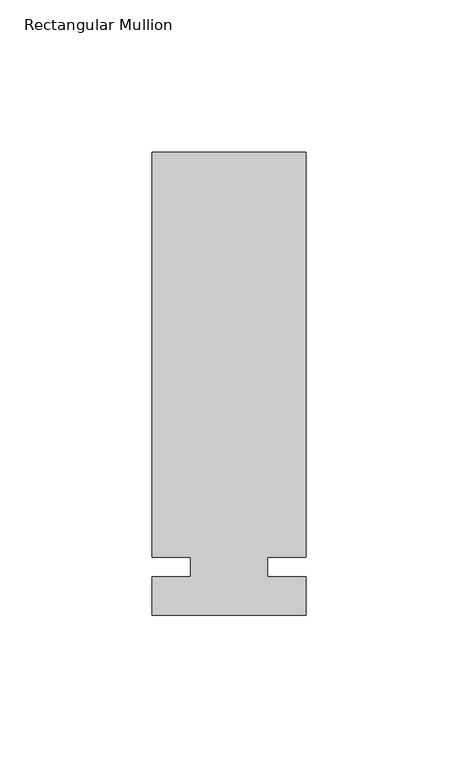
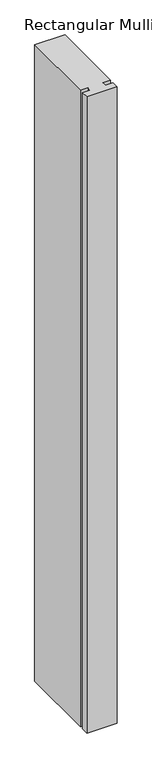
"""IFC4 building model written with IfcOpenShell, lengths in millimetres: member geometry, Rectangular Mullion."""

from ifc_helpers import new_model, si_unit, frame, origin, place, context, project, spatial, polyline, outline, extrude, source, transform, mapped, element, save


def rectangular_mullion_4d494d30(model_context):
    return source(origin(), model_context, "Body", "SweptSolid", [
        extrude(outline(polyline([(29.7344027, 136.525), (29.7344027, 3.175), (17.0326322, 3.175), (17.0326322, -3.175), (29.7344027, -3.175), (29.7344027, -15.875), (-21.0655973, -15.875), (-21.0655973, -3.175), (-8.3655973, -3.175), (-8.3655973, 3.175), (-21.0655973, 3.175), (-21.0655973, 136.525), (29.7344027, 136.525)])), frame((0.0, 0.0, -1130.3), z_axis=(0.0, 0.0, 1.0), x_axis=(1.0, 0.0, 0.0)), (0.0, 0.0, 1.0), 1130.3),
    ])


if __name__ == "__main__":
    model = new_model("IFC4")
    model_context = context("Model", 3, world=origin())
    ifc_project = project(units=[si_unit("LENGTHUNIT", "METRE", prefix="MILLI")], contexts=[model_context])
    site = spatial("IfcSite", under=ifc_project)
    building = spatial("IfcBuilding", under=site)
    placement = place(None, origin())
    rectangular_mullion_shape = rectangular_mullion_4d494d30(model_context)
    element("IfcMember", 1, ObjectType="Rectangular Mullion", at=placement, inside=building, context=model_context, shape_type="MappedRepresentation", body=[
        mapped(rectangular_mullion_shape, transform((0.0, 0.0, 0.0), x_axis=(1.0, 0.0, 0.0), y_axis=(0.0, 1.0, 0.0), z_axis=(0.0, 0.0, 1.0))),
    ])
    save(model, "model.ifc")
